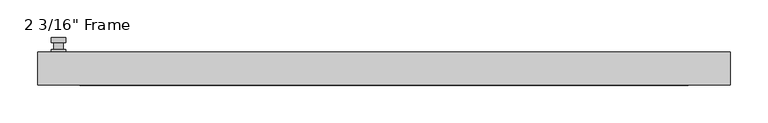
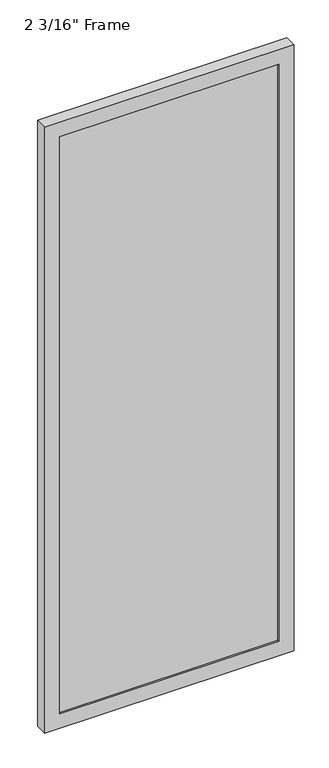
"""IFC4 building model written with IfcOpenShell, lengths in millimetres: plate geometry."""

from ifc_helpers import new_model, si_unit, frame, origin, place, context, project, spatial, polyline, circle_curve, outline, extrude, faceted_brep, source, transform, mapped, element, save
from ifc_brep_helpers import plane_surface, cylinder_surface, advanced_brep


def plate_a7d43a90(model_context):
    return source(origin(), model_context, "Body", "SolidModel", [
        advanced_brep(
        [(-422.5395833, 22.225, 927.1), (-441.5895833, 22.225, 927.1), (-441.5895833, 22.225, 901.7), (-422.5395833, 22.225, 901.7), (-425.7145833, 34.925, 914.4), (-425.7145833, 25.4, 914.4), (-438.4145833, 25.4, 914.4), (-438.4145833, 34.925, 914.4), (-422.5395833, 34.925, 914.4), (-441.5895833, 34.925, 914.4), (-438.4105477, 34.925, 825.2736467), (-425.7186189, 34.925, 825.2736467), (-422.5395833, 41.275, 914.4), (-425.7186189, 41.275, 825.2736467), (-438.4105477, 41.275, 825.2736467), (-441.5895833, 41.275, 914.4), (-422.5395833, 25.4, 927.1), (-422.5395833, 25.4, 901.7), (-441.5895833, 25.4, 901.7), (-441.5895833, 25.4, 927.1)],
        [
            (0, 1, circle_curve(frame((-432.0645833, 22.225, 927.1), z_axis=(0.0, -1.0, 0.0), x_axis=(-1.0, 0.0, 0.0)), 9.525)),
            (1, 2),
            (2, 3, circle_curve(frame((-432.0645833, 22.225, 901.7), z_axis=(0.0, -1.0, 0.0), x_axis=(-1.0, 0.0, 0.0)), 9.525)),
            (3, 0),
            (4, 5),
            (5, 6, circle_curve(frame((-432.0645833, 25.4, 914.4), z_axis=(0.0, 1.0, 0.0), x_axis=(-1.0, 0.0, 0.0)), 6.35)),
            (6, 7),
            (7, 4, circle_curve(frame((-432.0645833, 34.925, 914.4), z_axis=(0.0, -1.0, 0.0), x_axis=(-1.0, 0.0, 0.0)), 6.35)),
            (6, 5, circle_curve(frame((-432.0645833, 25.4, 914.4), z_axis=(0.0, 1.0, 0.0), x_axis=(-1.0, 0.0, 0.0)), 6.35)),
            (4, 7, circle_curve(frame((-432.0645833, 34.925, 914.4), z_axis=(0.0, -1.0, 0.0), x_axis=(-1.0, 0.0, 0.0)), 6.35)),
            (8, 9, circle_curve(frame((-432.0645833, 34.925, 914.4), z_axis=(0.0, -1.0, 0.0), x_axis=(-1.0, 0.0, 0.0)), 9.525)),
            (9, 10),
            (10, 11, circle_curve(frame((-432.0645833, 34.925, 825.5), z_axis=(0.0, -1.0, 0.0), x_axis=(-1.0, 0.0, 0.0)), 6.35)),
            (11, 8),
            (12, 13),
            (13, 14, circle_curve(frame((-432.0645833, 41.275, 825.5), z_axis=(0.0, 1.0, 0.0), x_axis=(-1.0, 0.0, 0.0)), 6.35)),
            (14, 15),
            (15, 12, circle_curve(frame((-432.0645833, 41.275, 914.4), z_axis=(0.0, 1.0, 0.0), x_axis=(-1.0, 0.0, 0.0)), 9.525)),
            (11, 13),
            (12, 8),
            (10, 14),
            (9, 15),
            (16, 17),
            (17, 18, circle_curve(frame((-432.0645833, 25.4, 901.7), z_axis=(0.0, 1.0, 0.0), x_axis=(-1.0, 0.0, 0.0)), 9.525)),
            (18, 19),
            (19, 16, circle_curve(frame((-432.0645833, 25.4, 927.1), z_axis=(0.0, 1.0, 0.0), x_axis=(-1.0, 0.0, 0.0)), 9.525)),
            (3, 17),
            (16, 0),
            (2, 18),
            (1, 19),
        ],
        [
            plane_surface(frame((-438.4145833, 22.225, 914.4), z_axis=(0.0, -1.0, 0.0), x_axis=(0.0, 0.0, 1.0))),
            cylinder_surface(frame((-432.0645833, 34.925, 914.4), z_axis=(0.0, -1.0, 0.0), x_axis=(-1.0, 0.0, 0.0)), 6.35),
            plane_surface(frame((-422.5395833, 34.925, 914.4), z_axis=(0.0, -1.0000000000000002, 0.0), x_axis=(-0.03564619348186888, 0.0, -0.9993644724975235))),
            plane_surface(frame((-422.5395833, 41.275, 914.4), z_axis=(0.0, 1.0000000000000002, 0.0), x_axis=(0.03564619348186888, 0.0, 0.9993644724975235))),
            plane_surface(frame((-422.5395833, 34.925, 914.4), z_axis=(0.9993644724975235, 0.0, -0.03564619348186888), x_axis=(0.0, 1.0, 0.0))),
            cylinder_surface(frame((-432.0645833, 41.275, 825.5), z_axis=(0.0, -1.0, 0.0), x_axis=(-1.0, 0.0, 0.0)), 6.35),
            plane_surface(frame((-438.4105477, 34.925, 825.2736467), z_axis=(-0.9993644724975228, 0.0, -0.03564619348188612), x_axis=(0.0, 1.0, 0.0))),
            cylinder_surface(frame((-432.0645833, 41.275, 914.4), z_axis=(0.0, -1.0, 0.0), x_axis=(-1.0, 0.0, 0.0)), 9.525),
            plane_surface(frame((-422.5395833, 25.4, 901.7), z_axis=(0.0, 1.0, 0.0), x_axis=(0.0, 0.0, 1.0))),
            plane_surface(frame((-422.5395833, 22.225, 927.1), z_axis=(1.0, 0.0, 0.0), x_axis=(0.0, 1.0, 0.0))),
            cylinder_surface(frame((-432.0645833, 25.4, 901.7), z_axis=(0.0, -1.0, 0.0), x_axis=(-1.0, 0.0, 0.0)), 9.525),
            plane_surface(frame((-441.5895833, 22.225, 901.7), z_axis=(-1.0, 0.0, 0.0), x_axis=(0.0, 1.0, 0.0))),
            cylinder_surface(frame((-432.0645833, 25.4, 927.1), z_axis=(0.0, -1.0, 0.0), x_axis=(-1.0, 0.0, 0.0)), 9.525),
        ],
        [
            (0, [[1, 2, 3, 4]]),
            (1, [[5, 6, 7, 8]]),
            (1, [[-7, 9, -5, 10]]),
            (2, [[11, 12, 13, 14], [-10, -8]]),
            (3, [[15, 16, 17, 18]]),
            (4, [[19, -15, 20, -14]]),
            (5, [[21, -16, -19, -13]]),
            (6, [[22, -17, -21, -12]]),
            (7, [[-20, -18, -22, -11]]),
            (8, [[23, 24, 25, 26], [-9, -6]]),
            (9, [[27, -23, 28, -4]]),
            (10, [[29, -24, -27, -3]]),
            (11, [[30, -25, -29, -2]]),
            (12, [[-28, -26, -30, -1]]),
        ],
    ),
        faceted_brep([(-459.8458333, 22.225, 0.0), (459.8458333, 22.225, 0.0), (459.8458333, -22.225, 0.0), (-459.8458333, -22.225, 0.0), (-404.2833333, -22.225, 2306.6375), (-404.2833333, -22.225, 55.5625), (-404.2833333, -15.875, 55.5625), (-404.2833333, -15.875, 2306.6375), (416.9833333, -15.875, 2319.3375), (416.9833333, -15.875, 42.8625), (-416.9833333, -15.875, 42.8625), (-416.9833333, -15.875, 2319.3375), (404.2833333, -15.875, 55.5625), (404.2833333, -15.875, 2306.6375), (-416.9833333, 7.9375, 42.8625), (-416.9833333, 7.9375, 2319.3375), (416.9833333, 7.9375, 42.8625), (416.9833333, 7.9375, 2319.3375), (-404.2833333, 7.9375, 2306.6375), (404.2833333, 7.9375, 2306.6375), (404.2833333, 7.9375, 55.5625), (-404.2833333, 7.9375, 55.5625), (-404.2833333, 22.225, 55.5625), (-404.2833333, 22.225, 2306.6375), (-459.8458333, 22.225, 2362.2), (459.8458333, 22.225, 2362.2), (404.2833333, 22.225, 55.5625), (404.2833333, 22.225, 2306.6375), (-459.8458333, -22.225, 2362.2), (459.8458333, -22.225, 2362.2), (404.2833333, -22.225, 2306.6375), (404.2833333, -22.225, 55.5625)], [[[0, 1, 2, 3]], [[4, 5, 6, 7]], [[8, 9, 10, 11], [7, 6, 12, 13]], [[10, 14, 15, 11]], [[15, 14, 16, 17], [18, 19, 20, 21]], [[18, 21, 22, 23]], [[0, 24, 25, 1], [23, 22, 26, 27]], [[3, 28, 24, 0]], [[2, 29, 28, 3], [4, 30, 31, 5]], [[7, 13, 30, 4]], [[11, 15, 17, 8]], [[18, 23, 27, 19]], [[24, 28, 29, 25]], [[13, 12, 31, 30]], [[16, 9, 8, 17]], [[27, 26, 20, 19]], [[25, 29, 2, 1]], [[22, 21, 20, 26]], [[9, 16, 14, 10]], [[6, 5, 31, 12]]]),
        extrude(outline(polyline([(416.9833333, 7.9375), (416.9833333, -15.875), (-416.9833333, -15.875), (-416.9833333, 7.9375), (416.9833333, 7.9375)])), frame((0.0, 0.0, 42.8625), z_axis=(0.0, 0.0, 1.0), x_axis=(1.0, 0.0, 0.0)), (0.0, 0.0, 1.0), 2276.475),
    ])


if __name__ == "__main__":
    model = new_model("IFC4")
    model_context = context("Model", 3, world=origin())
    ifc_project = project(units=[si_unit("LENGTHUNIT", "METRE", prefix="MILLI")], contexts=[model_context])
    site = spatial("IfcSite", under=ifc_project)
    building = spatial("IfcBuilding", under=site)
    placement = place(None, origin())
    plate_shape = plate_a7d43a90(model_context)
    element("IfcPlate", 1, ObjectType="2 3/16\" Frame", at=placement, inside=building, context=model_context, shape_type="MappedRepresentation", body=[
        mapped(plate_shape, transform((0.0, 0.0, 0.0), x_axis=(1.0, 0.0, 0.0), y_axis=(0.0, 1.0, 0.0), z_axis=(0.0, 0.0, 1.0))),
    ])
    save(model, "model.ifc")
